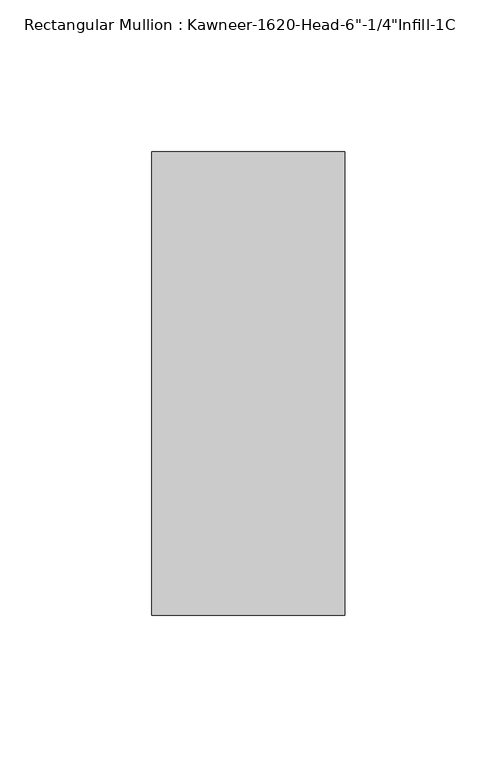
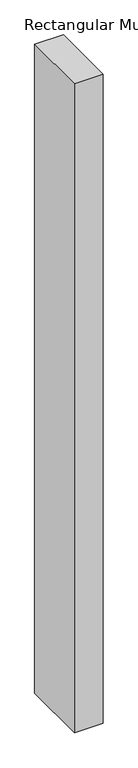
"""IFC4 building model written with IfcOpenShell, lengths in millimetres: member geometry."""

from ifc_helpers import new_model, si_unit, frame, origin, place, context, project, spatial, polyline, outline, extrude, source, transform, mapped, element, save


def member_6c2e0490(model_context):
    return source(origin(), model_context, "Body", "SweptSolid", [
        extrude(outline(polyline([(-22.225, 28.575), (41.275, 28.575), (41.275, -123.825), (-22.225, -123.825), (-22.225, 28.575)])), frame((0.0, 0.0, -1524.0), z_axis=(0.0, 0.0, 1.0), x_axis=(1.0, 0.0, 0.0)), (0.0, 0.0, 1.0), 1524.0),
    ])


if __name__ == "__main__":
    model = new_model("IFC4")
    model_context = context("Model", 3, world=origin())
    ifc_project = project(units=[si_unit("LENGTHUNIT", "METRE", prefix="MILLI")], contexts=[model_context])
    site = spatial("IfcSite", under=ifc_project)
    building = spatial("IfcBuilding", under=site)
    placement = place(None, origin())
    member_shape = member_6c2e0490(model_context)
    element("IfcMember", 1, ObjectType="Rectangular Mullion : Kawneer-1620-Head-6\"-1/4\"Infill-1C", at=placement, inside=building, context=model_context, shape_type="MappedRepresentation", body=[
        mapped(member_shape, transform((0.0, 0.0, 0.0), x_axis=(1.0, 0.0, 0.0), y_axis=(0.0, 1.0, 0.0), z_axis=(0.0, 0.0, 1.0))),
    ])
    save(model, "model.ifc")
